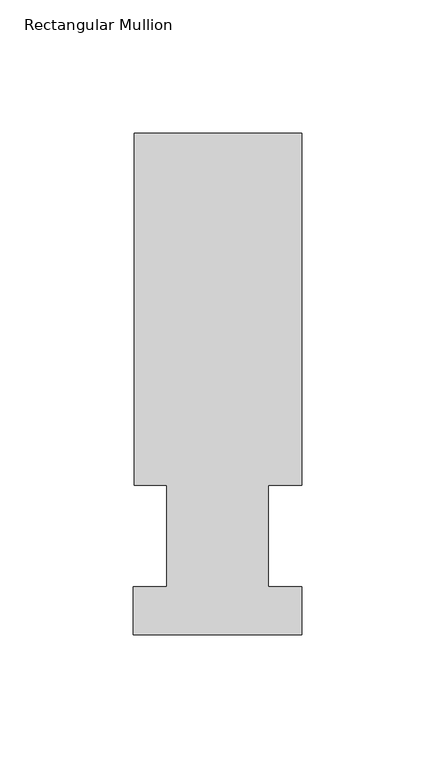
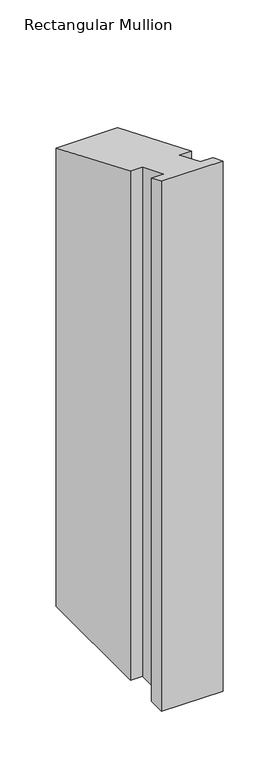
"""IFC4 building model written with IfcOpenShell, lengths in millimetres: member geometry, Rectangular Mullion."""

from ifc_helpers import new_model, si_unit, origin, place, context, project, spatial, faceted_brep, source, transform, mapped, element, save


def rectangular_mullion_d5b68c26(model_context):
    return source(origin(), model_context, "Body", "Brep", [
        faceted_brep([(-63.0936, 189.0895062, -577.85), (0.0, 189.0895062, -577.85), (0.0, 56.6539062, -577.85), (-12.6746, 56.6539062, -577.85), (-12.6746, 18.5539063, -577.85), (0.0, 18.5539062, -577.85), (0.0, 0.5199062, -577.85), (-63.5, 0.5199062, -577.85), (-63.5, 18.5539063, -577.85), (-50.8, 18.5539063, -577.85), (-50.8, 56.6539062, -577.85), (-63.0936, 56.6539062, -577.85), (-63.0936, 56.6539062, -23.4668163), (-63.0936, 189.0895062, -78.323438), (-50.8, 56.6539062, -23.4668163), (-50.8, 18.5539063, -7.6852796), (-63.5, 18.5539063, -7.6852796), (-63.5, 0.5199062, -0.2153522), (0.0, 0.5199062, -0.2153522), (0.0, 18.5539062, -7.6852796), (-12.6746, 18.5539062, -7.6852796), (-12.6746, 56.6539062, -23.4668163), (0.0, 56.6539062, -23.4668163), (0.0, 189.0895062, -78.323438)], [[[0, 1, 2, 3, 4, 5, 6, 7, 8, 9, 10, 11]], [[12, 13, 0, 11]], [[14, 12, 11, 10]], [[15, 14, 10, 9]], [[16, 15, 9, 8]], [[17, 16, 8, 7]], [[18, 17, 7, 6]], [[19, 18, 6, 5]], [[20, 19, 5, 4]], [[21, 20, 4, 3]], [[22, 21, 3, 2]], [[23, 22, 2, 1]], [[13, 23, 1, 0]], [[13, 12, 14, 15, 16, 17, 18, 19, 20, 21, 22, 23]]]),
    ])


if __name__ == "__main__":
    model = new_model("IFC4")
    model_context = context("Model", 3, world=origin())
    ifc_project = project(units=[si_unit("LENGTHUNIT", "METRE", prefix="MILLI")], contexts=[model_context])
    site = spatial("IfcSite", under=ifc_project)
    building = spatial("IfcBuilding", under=site)
    placement = place(None, origin())
    rectangular_mullion_shape = rectangular_mullion_d5b68c26(model_context)
    element("IfcMember", 1, ObjectType="Rectangular Mullion", at=placement, inside=building, context=model_context, shape_type="MappedRepresentation", body=[
        mapped(rectangular_mullion_shape, transform((0.0, 0.0, 0.0), x_axis=(1.0, 0.0, 0.0), y_axis=(0.0, 1.0, 0.0), z_axis=(0.0, 0.0, 1.0))),
    ])
    save(model, "model.ifc")
